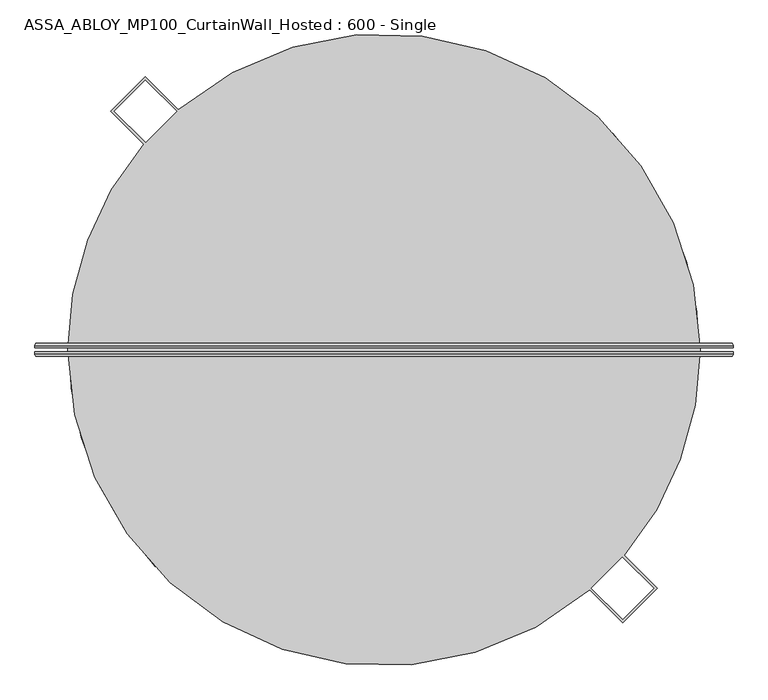
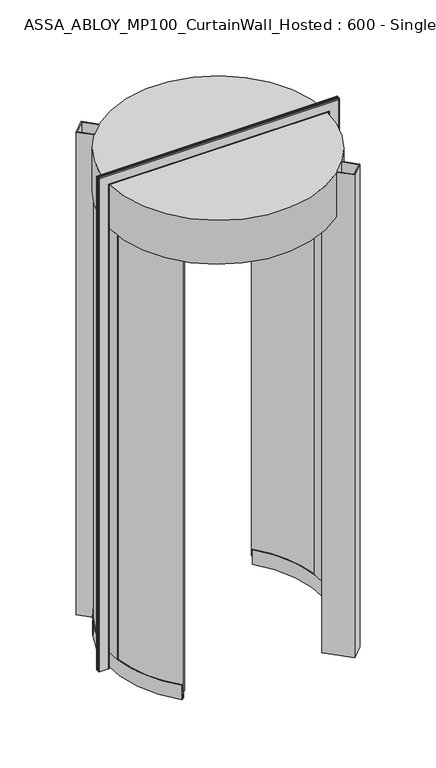
"""IFC4 building model written with IfcOpenShell, lengths in millimetres: plate geometry, ASSA_ABLOY_MP100_CurtainWall_Hosted : 600 - Single."""

from ifc_helpers import new_model, si_unit, point, frame, origin, origin_2d, place, context, project, spatial, polyline, circle_curve, ellipse_curve, trimmed, segment, composite_curve, outline, extrude, source, transform, mapped, element, save
from ifc_brep_helpers import plane_surface, cylinder_surface, revolved_surface, advanced_brep


def assa_abloy_mp100_curtainwall_hosted_600_single_9e742da6(model_context):
    return source(origin(), model_context, "Body", "SolidModel", [
        advanced_brep(
        [(567.5980762, 11.0, 0.0), (571.5980762, 7.0, 0.0), (571.5980762, 3.0, 0.0), (569.5980762, 3.0, 0.0), (569.5980762, 7.0, 0.0), (567.5980762, 9.0, 0.0), (525.5980762, 9.0, 0.0), (523.5980762, 7.0, 0.0), (523.5980762, 3.0, 0.0), (521.5980762, 3.0, 0.0), (521.5980762, 7.0, 0.0), (525.5980762, 11.0, 0.0), (567.5980762, 11.0, 2470.9980762), (571.5980762, 7.0, 2474.9980762), (571.5980762, 3.0, 2474.9980762), (521.5980762, 7.0, 2424.9980762), (525.5980762, 11.0, 2428.9980762), (-525.5980762, 11.0, 2428.9980762), (-525.5980762, 11.0, 0.0), (-567.5980762, 11.0, 0.0), (-567.5980762, 11.0, 2470.9980762), (-571.5980762, 7.0, 2474.9980762), (-571.5980762, 3.0, 2474.9980762), (-521.5980762, 7.0, 2424.9980762), (-521.5980762, 7.0, 0.0), (-521.5980762, 3.0, 0.0), (-523.5980762, 3.0, 0.0), (-523.5980762, 7.0, 0.0), (-525.5980762, 9.0, 0.0), (-567.5980762, 9.0, 0.0), (-569.5980762, 7.0, 0.0), (-569.5980762, 3.0, 0.0), (-571.5980762, 3.0, 0.0), (-571.5980762, 7.0, 0.0), (-569.5980762, 3.0, 2472.9980762), (569.5980762, 3.0, 2472.9980762), (569.5980762, 7.0, 2472.9980762), (567.5980762, 9.0, 2470.9980762), (-567.5980762, 9.0, 2470.9980762), (-525.5980762, 9.0, 2428.9980762), (525.5980762, 9.0, 2428.9980762), (523.5980762, 7.0, 2426.9980762), (523.5980762, 3.0, 2426.9980762), (-523.5980762, 3.0, 2426.9980762), (-521.5980762, 3.0, 2424.9980762), (521.5980762, 3.0, 2424.9980762), (-569.5980762, 7.0, 2472.9980762), (-523.5980762, 7.0, 2426.9980762)],
        [
            (0, 1, circle_curve(frame((567.5980762, 7.0, 0.0), z_axis=(0.0, 0.0, -1.0), x_axis=(-1.0, 0.0, 0.0)), 4.0)),
            (1, 2),
            (2, 3),
            (3, 4),
            (4, 5, circle_curve(frame((567.5980762, 7.0, 0.0), z_axis=(0.0, 0.0, 1.0), x_axis=(-1.0, 0.0, 0.0)), 2.0)),
            (5, 6),
            (6, 7, circle_curve(frame((525.5980762, 7.0, 0.0), z_axis=(0.0, 0.0, 1.0), x_axis=(-1.0, 0.0, 0.0)), 2.0)),
            (7, 8),
            (8, 9),
            (9, 10),
            (10, 11, circle_curve(frame((525.5980762, 7.0, 0.0), z_axis=(0.0, 0.0, -1.0), x_axis=(-1.0, 0.0, 0.0)), 4.0)),
            (11, 0),
            (0, 12),
            (12, 13, ellipse_curve(frame((567.5980762, 7.0, 2470.9980762), z_axis=(0.7071067811865475, 0.0, -0.7071067811865475), x_axis=(-0.7071067811865474, 0.0, -0.7071067811865476)), 5.6568542, 4.0)),
            (13, 1),
            (13, 14),
            (14, 2),
            (10, 15),
            (15, 16, ellipse_curve(frame((525.5980762, 7.0, 2428.9980762), z_axis=(0.7071067811865475, 0.0, -0.7071067811865475), x_axis=(-0.7071067811865474, 0.0, -0.7071067811865476)), 5.6568542, 4.0)),
            (16, 11),
            (16, 17),
            (17, 18),
            (18, 19),
            (19, 20),
            (20, 12),
            (20, 21, ellipse_curve(frame((-567.5980762, 7.0, 2470.9980762), z_axis=(0.7071067811865475, 0.0, 0.7071067811865475), x_axis=(0.7071067811865476, 0.0, -0.7071067811865474)), 5.6568542, 4.0)),
            (21, 13),
            (21, 22),
            (22, 14),
            (15, 23),
            (23, 17, ellipse_curve(frame((-525.5980762, 7.0, 2428.9980762), z_axis=(0.7071067811865475, 0.0, 0.7071067811865475), x_axis=(0.7071067811865476, 0.0, -0.7071067811865474)), 5.6568542, 4.0)),
            (18, 24, circle_curve(frame((-525.5980762, 7.0, 0.0), z_axis=(0.0, 0.0, -1.0), x_axis=(1.0, 0.0, 0.0)), 4.0)),
            (24, 25),
            (25, 26),
            (26, 27),
            (27, 28, circle_curve(frame((-525.5980762, 7.0, 0.0), z_axis=(0.0, 0.0, 1.0), x_axis=(1.0, 0.0, 0.0)), 2.0)),
            (28, 29),
            (29, 30, circle_curve(frame((-567.5980762, 7.0, 0.0), z_axis=(0.0, 0.0, 1.0), x_axis=(1.0, 0.0, 0.0)), 2.0)),
            (30, 31),
            (31, 32),
            (32, 33),
            (33, 19, circle_curve(frame((-567.5980762, 7.0, 0.0), z_axis=(0.0, 0.0, -1.0), x_axis=(1.0, 0.0, 0.0)), 4.0)),
            (33, 21),
            (32, 22),
            (23, 24),
            (31, 34),
            (34, 35),
            (35, 3),
            (35, 36),
            (36, 4),
            (36, 37, ellipse_curve(frame((567.5980762, 7.0, 2470.9980762), z_axis=(-0.7071067811865475, 0.0, 0.7071067811865475), x_axis=(0.7071067811865474, 0.0, 0.7071067811865476)), 2.8284271, 2.0)),
            (37, 5),
            (37, 38),
            (38, 29),
            (28, 39),
            (39, 40),
            (40, 6),
            (40, 41, ellipse_curve(frame((525.5980762, 7.0, 2428.9980762), z_axis=(-0.7071067811865475, 0.0, 0.7071067811865475), x_axis=(0.7071067811865474, 0.0, 0.7071067811865476)), 2.8284271, 2.0)),
            (41, 7),
            (41, 42),
            (42, 8),
            (42, 43),
            (43, 26),
            (25, 44),
            (44, 45),
            (45, 9),
            (45, 15),
            (34, 46),
            (46, 36),
            (46, 38, ellipse_curve(frame((-567.5980762, 7.0, 2470.9980762), z_axis=(-0.7071067811865475, 0.0, -0.7071067811865475), x_axis=(-0.7071067811865476, 0.0, 0.7071067811865474)), 2.8284271, 2.0)),
            (39, 47, ellipse_curve(frame((-525.5980762, 7.0, 2428.9980762), z_axis=(-0.7071067811865475, 0.0, -0.7071067811865475), x_axis=(-0.7071067811865476, 0.0, 0.7071067811865474)), 2.8284271, 2.0)),
            (47, 41),
            (47, 43),
            (44, 23),
            (30, 46),
            (27, 47),
        ],
        [
            plane_surface(frame((521.6, 0.0, 0.0), z_axis=(0.0, 0.0, -1.0), x_axis=(0.0, -1.0, 0.0))),
            cylinder_surface(frame((567.5980762, 7.0, 0.0), z_axis=(0.0, 0.0, -1.0), x_axis=(-1.0, 0.0, 0.0)), 4.0),
            plane_surface(frame((571.5980762, 7.0, 0.0), z_axis=(1.0, 0.0, 0.0), x_axis=(0.0, 0.0, 1.0))),
            cylinder_surface(frame((525.5980762, 7.0, 0.0), z_axis=(0.0, 0.0, -1.0), x_axis=(-1.0, 0.0, 0.0)), 4.0),
            plane_surface(frame((525.5980762, 11.0, 0.0), z_axis=(0.0, 1.0, 0.0), x_axis=(0.0, 0.0, 1.0))),
            cylinder_surface(frame((521.6, 7.0, 2470.9980762), z_axis=(1.0, 0.0, 0.0), x_axis=(0.0, 0.0, -1.0)), 4.0),
            plane_surface(frame((571.5980762, 7.0, 2474.9980762), z_axis=(0.0, 0.0, 1.0), x_axis=(-1.0, 0.0, 0.0))),
            cylinder_surface(frame((521.6, 7.0, 2428.9980762), z_axis=(1.0, 0.0, 0.0), x_axis=(0.0, 0.0, -1.0)), 4.0),
            plane_surface(frame((-521.6, 0.0, 0.0), z_axis=(0.0, 0.0, -1.0), x_axis=(0.0, -1.0, 0.0))),
            cylinder_surface(frame((-567.5980762, 7.0, 2425.0), z_axis=(0.0, 0.0, 1.0), x_axis=(1.0, 0.0, 0.0)), 4.0),
            plane_surface(frame((-571.5980762, 7.0, 2474.9980762), z_axis=(-1.0, 0.0, 0.0), x_axis=(0.0, 0.0, -1.0))),
            cylinder_surface(frame((-525.5980762, 7.0, 2425.0), z_axis=(0.0, 0.0, 1.0), x_axis=(1.0, 0.0, 0.0)), 4.0),
            plane_surface(frame((571.5980762, 3.0, 0.0), z_axis=(0.0, -1.0, 0.0), x_axis=(0.0, 0.0, 1.0))),
            plane_surface(frame((569.5980762, 3.0, 0.0), z_axis=(-1.0, 0.0, 0.0), x_axis=(0.0, 0.0, 1.0))),
            revolved_surface(polyline([(565.5980762, 7.0, 2472.9980762), (565.5980762, 7.0, 0.0)]), (567.5980762, 7.0, 0.0), (0.0, 0.0, 1.0)),
            plane_surface(frame((567.5980762, 9.0, 0.0), z_axis=(0.0, -1.0, 0.0), x_axis=(0.0, 0.0, 1.0))),
            revolved_surface(polyline([(523.5980762, 7.0, 2430.998076182502), (523.5980762, 7.0, 0.0)]), (525.5980762, 7.0, 0.0), (0.0, 0.0, 1.0)),
            plane_surface(frame((523.5980762, 7.0, 0.0), z_axis=(1.0, 0.0, 0.0), x_axis=(0.0, 0.0, 1.0))),
            plane_surface(frame((523.5980762, 3.0, 0.0), z_axis=(0.0, -1.0, 0.0), x_axis=(0.0, 0.0, 1.0))),
            plane_surface(frame((521.5980762, 3.0, 0.0), z_axis=(-1.0, 0.0, 0.0), x_axis=(0.0, 0.0, 1.0))),
            plane_surface(frame((569.5980762, 3.0, 2472.9980762), z_axis=(0.0, 0.0, -1.0), x_axis=(-1.0, 0.0, 0.0))),
            revolved_surface(polyline([(-569.5980762, 7.0, 2468.9980762), (569.5980762, 7.0, 2468.9980762)]), (521.6, 7.0, 2470.9980762), (-1.0, 0.0, 0.0)),
            revolved_surface(polyline([(-527.5980761825018, 7.0, 2426.9980762), (527.5980761825018, 7.0, 2426.9980762)]), (521.6, 7.0, 2428.9980762), (-1.0, 0.0, 0.0)),
            plane_surface(frame((523.5980762, 7.0, 2426.9980762), z_axis=(0.0, 0.0, 1.0), x_axis=(-1.0, 0.0, 0.0))),
            plane_surface(frame((521.5980762, 3.0, 2424.9980762), z_axis=(0.0, 0.0, -1.0), x_axis=(-1.0, 0.0, 0.0))),
            plane_surface(frame((-569.5980762, 3.0, 2472.9980762), z_axis=(1.0, 0.0, 0.0), x_axis=(0.0, 0.0, -1.0))),
            revolved_surface(polyline([(-565.5980762, 7.0, 0.0), (-565.5980762, 7.0, 2472.9980762)]), (-567.5980762, 7.0, 2425.0), (0.0, 0.0, -1.0)),
            revolved_surface(polyline([(-523.5980762, 7.0, 0.0), (-523.5980762, 7.0, 2430.998076182502)]), (-525.5980762, 7.0, 2425.0), (0.0, 0.0, -1.0)),
            plane_surface(frame((-523.5980762, 7.0, 2426.9980762), z_axis=(-1.0, 0.0, 0.0), x_axis=(0.0, 0.0, -1.0))),
            plane_surface(frame((-521.5980762, 3.0, 2424.9980762), z_axis=(1.0, 0.0, 0.0), x_axis=(0.0, 0.0, -1.0))),
        ],
        [
            (0, [[1, 2, 3, 4, 5, 6, 7, 8, 9, 10, 11, 12]]),
            (1, [[-1, 13, 14, 15]]),
            (2, [[-2, -15, 16, 17]]),
            (3, [[-11, 18, 19, 20]]),
            (4, [[-12, -20, 21, 22, 23, 24, 25, -13]]),
            (5, [[-14, -25, 26, 27]]),
            (6, [[-16, -27, 28, 29]]),
            (7, [[-19, 30, 31, -21]]),
            (8, [[-23, 32, 33, 34, 35, 36, 37, 38, 39, 40, 41, 42]]),
            (9, [[-26, -24, -42, 43]]),
            (10, [[-28, -43, -41, 44]]),
            (11, [[-31, 45, -32, -22]]),
            (12, [[-3, -17, -29, -44, -40, 46, 47, 48]]),
            (13, [[-4, -48, 49, 50]]),
            (14, [[-5, -50, 51, 52]]),
            (15, [[-6, -52, 53, 54, -37, 55, 56, 57]]),
            (16, [[-7, -57, 58, 59]]),
            (17, [[-8, -59, 60, 61]]),
            (18, [[-9, -61, 62, 63, -34, 64, 65, 66]]),
            (19, [[-10, -66, 67, -18]]),
            (20, [[-49, -47, 68, 69]]),
            (21, [[-51, -69, 70, -53]]),
            (22, [[-58, -56, 71, 72]]),
            (23, [[-60, -72, 73, -62]]),
            (24, [[-67, -65, 74, -30]]),
            (25, [[-68, -46, -39, 75]]),
            (26, [[-70, -75, -38, -54]]),
            (27, [[-71, -55, -36, 76]]),
            (28, [[-73, -76, -35, -63]]),
            (29, [[-74, -64, -33, -45]]),
        ],
    ),
        advanced_brep(
        [(521.5980762, -3.0, 0.0), (523.5980762, -3.0, 0.0), (523.5980762, -7.0, 0.0), (525.5980762, -9.0, 0.0), (567.5980762, -9.0, 0.0), (569.5980762, -7.0, 0.0), (569.5980762, -3.0, 0.0), (571.5980762, -3.0, 0.0), (571.5980762, -7.0, 0.0), (567.5980762, -11.0, 0.0), (525.5980762, -11.0, 0.0), (521.5980762, -7.0, 0.0), (571.5980762, -7.0, 2474.9980762), (567.5980762, -11.0, 2470.9980762), (-567.5980762, -11.0, 2470.9980762), (-567.5980762, -11.0, 0.0), (-525.5980762, -11.0, 0.0), (-525.5980762, -11.0, 2428.9980762), (525.5980762, -11.0, 2428.9980762), (521.5980762, -7.0, 2424.9980762), (521.5980762, -3.0, 2424.9980762), (-571.5980762, -7.0, 2474.9980762), (-521.5980762, -7.0, 2424.9980762), (-521.5980762, -3.0, 2424.9980762), (-521.5980762, -3.0, 0.0), (-521.5980762, -7.0, 0.0), (-571.5980762, -7.0, 0.0), (-571.5980762, -3.0, 0.0), (-569.5980762, -3.0, 0.0), (-569.5980762, -7.0, 0.0), (-567.5980762, -9.0, 0.0), (-525.5980762, -9.0, 0.0), (-523.5980762, -7.0, 0.0), (-523.5980762, -3.0, 0.0), (-523.5980762, -3.0, 2426.9980762), (523.5980762, -3.0, 2426.9980762), (523.5980762, -7.0, 2426.9980762), (525.5980762, -9.0, 2428.9980762), (-525.5980762, -9.0, 2428.9980762), (-567.5980762, -9.0, 2470.9980762), (567.5980762, -9.0, 2470.9980762), (569.5980762, -7.0, 2472.9980762), (569.5980762, -3.0, 2472.9980762), (-569.5980762, -3.0, 2472.9980762), (-571.5980762, -3.0, 2474.9980762), (571.5980762, -3.0, 2474.9980762), (-523.5980762, -7.0, 2426.9980762), (-569.5980762, -7.0, 2472.9980762)],
        [
            (0, 1),
            (1, 2),
            (2, 3, circle_curve(frame((525.5980762, -7.0, 0.0), z_axis=(0.0, 0.0, 1.0), x_axis=(-1.0, 0.0, 0.0)), 2.0)),
            (3, 4),
            (4, 5, circle_curve(frame((567.5980762, -7.0, 0.0), z_axis=(0.0, 0.0, 1.0), x_axis=(-1.0, 0.0, 0.0)), 2.0)),
            (5, 6),
            (6, 7),
            (7, 8),
            (8, 9, circle_curve(frame((567.5980762, -7.0, 0.0), z_axis=(0.0, 0.0, -1.0), x_axis=(-1.0, 0.0, 0.0)), 4.0)),
            (9, 10),
            (10, 11, circle_curve(frame((525.5980762, -7.0, 0.0), z_axis=(0.0, 0.0, -1.0), x_axis=(-1.0, 0.0, 0.0)), 4.0)),
            (11, 0),
            (8, 12),
            (12, 13, ellipse_curve(frame((567.5980762, -7.0, 2470.9980762), z_axis=(0.7071067811865475, 0.0, -0.7071067811865475), x_axis=(-0.7071067811865474, 0.0, -0.7071067811865476)), 5.6568542, 4.0)),
            (13, 9),
            (13, 14),
            (14, 15),
            (15, 16),
            (16, 17),
            (17, 18),
            (18, 10),
            (18, 19, ellipse_curve(frame((525.5980762, -7.0, 2428.9980762), z_axis=(0.7071067811865475, 0.0, -0.7071067811865475), x_axis=(-0.7071067811865474, 0.0, -0.7071067811865476)), 5.6568542, 4.0)),
            (19, 11),
            (19, 20),
            (20, 0),
            (12, 21),
            (21, 14, ellipse_curve(frame((-567.5980762, -7.0, 2470.9980762), z_axis=(0.7071067811865475, 0.0, 0.7071067811865475), x_axis=(0.7071067811865476, 0.0, -0.7071067811865474)), 5.6568542, 4.0)),
            (17, 22, ellipse_curve(frame((-525.5980762, -7.0, 2428.9980762), z_axis=(0.7071067811865475, 0.0, 0.7071067811865475), x_axis=(0.7071067811865476, 0.0, -0.7071067811865474)), 5.6568542, 4.0)),
            (22, 19),
            (22, 23),
            (23, 20),
            (24, 25),
            (25, 16, circle_curve(frame((-525.5980762, -7.0, 0.0), z_axis=(0.0, 0.0, -1.0), x_axis=(1.0, 0.0, 0.0)), 4.0)),
            (15, 26, circle_curve(frame((-567.5980762, -7.0, 0.0), z_axis=(0.0, 0.0, -1.0), x_axis=(1.0, 0.0, 0.0)), 4.0)),
            (26, 27),
            (27, 28),
            (28, 29),
            (29, 30, circle_curve(frame((-567.5980762, -7.0, 0.0), z_axis=(0.0, 0.0, 1.0), x_axis=(1.0, 0.0, 0.0)), 2.0)),
            (30, 31),
            (31, 32, circle_curve(frame((-525.5980762, -7.0, 0.0), z_axis=(0.0, 0.0, 1.0), x_axis=(1.0, 0.0, 0.0)), 2.0)),
            (32, 33),
            (33, 24),
            (21, 26),
            (25, 22),
            (24, 23),
            (33, 34),
            (34, 35),
            (35, 1),
            (35, 36),
            (36, 2),
            (36, 37, ellipse_curve(frame((525.5980762, -7.0, 2428.9980762), z_axis=(-0.7071067811865475, 0.0, 0.7071067811865475), x_axis=(0.7071067811865474, 0.0, 0.7071067811865476)), 2.8284271, 2.0)),
            (37, 3),
            (37, 38),
            (38, 31),
            (30, 39),
            (39, 40),
            (40, 4),
            (40, 41, ellipse_curve(frame((567.5980762, -7.0, 2470.9980762), z_axis=(-0.7071067811865475, 0.0, 0.7071067811865475), x_axis=(0.7071067811865474, 0.0, 0.7071067811865476)), 2.8284271, 2.0)),
            (41, 5),
            (41, 42),
            (42, 6),
            (42, 43),
            (43, 28),
            (27, 44),
            (44, 45),
            (45, 7),
            (45, 12),
            (34, 46),
            (46, 36),
            (46, 38, ellipse_curve(frame((-525.5980762, -7.0, 2428.9980762), z_axis=(-0.7071067811865475, 0.0, -0.7071067811865475), x_axis=(-0.7071067811865476, 0.0, 0.7071067811865474)), 2.8284271, 2.0)),
            (39, 47, ellipse_curve(frame((-567.5980762, -7.0, 2470.9980762), z_axis=(-0.7071067811865475, 0.0, -0.7071067811865475), x_axis=(-0.7071067811865476, 0.0, 0.7071067811865474)), 2.8284271, 2.0)),
            (47, 41),
            (47, 43),
            (44, 21),
            (32, 46),
            (29, 47),
        ],
        [
            plane_surface(frame((521.6, 0.0, 0.0), z_axis=(0.0, 0.0, -1.0), x_axis=(0.0, -1.0, 0.0))),
            cylinder_surface(frame((567.5980762, -7.0, 0.0), z_axis=(0.0, 0.0, -1.0), x_axis=(-1.0, 0.0, 0.0)), 4.0),
            plane_surface(frame((567.5980762, -11.0, 0.0), z_axis=(0.0, -1.0, 0.0), x_axis=(0.0, 0.0, 1.0))),
            cylinder_surface(frame((525.5980762, -7.0, 0.0), z_axis=(0.0, 0.0, -1.0), x_axis=(-1.0, 0.0, 0.0)), 4.0),
            plane_surface(frame((521.5980762, -7.0, 0.0), z_axis=(-1.0, 0.0, 0.0), x_axis=(0.0, 0.0, 1.0))),
            cylinder_surface(frame((521.6, -7.0, 2470.9980762), z_axis=(1.0, 0.0, 0.0), x_axis=(0.0, 0.0, -1.0)), 4.0),
            cylinder_surface(frame((521.6, -7.0, 2428.9980762), z_axis=(1.0, 0.0, 0.0), x_axis=(0.0, 0.0, -1.0)), 4.0),
            plane_surface(frame((521.5980762, -7.0, 2424.9980762), z_axis=(0.0, 0.0, -1.0), x_axis=(-1.0, 0.0, 0.0))),
            plane_surface(frame((-521.6, 0.0, 0.0), z_axis=(0.0, 0.0, -1.0), x_axis=(0.0, -1.0, 0.0))),
            cylinder_surface(frame((-567.5980762, -7.0, 2425.0), z_axis=(0.0, 0.0, 1.0), x_axis=(1.0, 0.0, 0.0)), 4.0),
            cylinder_surface(frame((-525.5980762, -7.0, 2425.0), z_axis=(0.0, 0.0, 1.0), x_axis=(1.0, 0.0, 0.0)), 4.0),
            plane_surface(frame((-521.5980762, -7.0, 2424.9980762), z_axis=(1.0, 0.0, 0.0), x_axis=(0.0, 0.0, -1.0))),
            plane_surface(frame((521.5980762, -3.0, 0.0), z_axis=(0.0, 1.0, 0.0), x_axis=(0.0, 0.0, 1.0))),
            plane_surface(frame((523.5980762, -3.0, 0.0), z_axis=(1.0, 0.0, 0.0), x_axis=(0.0, 0.0, 1.0))),
            revolved_surface(polyline([(523.5980762, -7.0, 2430.998076182502), (523.5980762, -7.0, 0.0)]), (525.5980762, -7.0, 0.0), (0.0, 0.0, 1.0)),
            plane_surface(frame((525.5980762, -9.0, 0.0), z_axis=(0.0, 1.0, 0.0), x_axis=(0.0, 0.0, 1.0))),
            revolved_surface(polyline([(565.5980762, -7.0, 2472.9980762), (565.5980762, -7.0, 0.0)]), (567.5980762, -7.0, 0.0), (0.0, 0.0, 1.0)),
            plane_surface(frame((569.5980762, -7.0, 0.0), z_axis=(-1.0, 0.0, 0.0), x_axis=(0.0, 0.0, 1.0))),
            plane_surface(frame((569.5980762, -3.0, 0.0), z_axis=(0.0, 1.0, 0.0), x_axis=(0.0, 0.0, 1.0))),
            plane_surface(frame((571.5980762, -3.0, 0.0), z_axis=(1.0, 0.0, 0.0), x_axis=(0.0, 0.0, 1.0))),
            plane_surface(frame((523.5980762, -3.0, 2426.9980762), z_axis=(0.0, 0.0, 1.0), x_axis=(-1.0, 0.0, 0.0))),
            revolved_surface(polyline([(-527.5980761825018, -7.0, 2426.9980762), (527.5980761825018, -7.0, 2426.9980762)]), (521.6, -7.0, 2428.9980762), (-1.0, 0.0, 0.0)),
            revolved_surface(polyline([(-569.5980762, -7.0, 2468.9980762), (569.5980762, -7.0, 2468.9980762)]), (521.6, -7.0, 2470.9980762), (-1.0, 0.0, 0.0)),
            plane_surface(frame((569.5980762, -7.0, 2472.9980762), z_axis=(0.0, 0.0, -1.0), x_axis=(-1.0, 0.0, 0.0))),
            plane_surface(frame((571.5980762, -3.0, 2474.9980762), z_axis=(0.0, 0.0, 1.0), x_axis=(-1.0, 0.0, 0.0))),
            plane_surface(frame((-523.5980762, -3.0, 2426.9980762), z_axis=(-1.0, 0.0, 0.0), x_axis=(0.0, 0.0, -1.0))),
            revolved_surface(polyline([(-523.5980762, -7.0, 0.0), (-523.5980762, -7.0, 2430.998076182502)]), (-525.5980762, -7.0, 2425.0), (0.0, 0.0, -1.0)),
            revolved_surface(polyline([(-565.5980762, -7.0, 0.0), (-565.5980762, -7.0, 2472.9980762)]), (-567.5980762, -7.0, 2425.0), (0.0, 0.0, -1.0)),
            plane_surface(frame((-569.5980762, -7.0, 2472.9980762), z_axis=(1.0, 0.0, 0.0), x_axis=(0.0, 0.0, -1.0))),
            plane_surface(frame((-571.5980762, -3.0, 2474.9980762), z_axis=(-1.0, 0.0, 0.0), x_axis=(0.0, 0.0, -1.0))),
        ],
        [
            (0, [[1, 2, 3, 4, 5, 6, 7, 8, 9, 10, 11, 12]]),
            (1, [[-9, 13, 14, 15]]),
            (2, [[-10, -15, 16, 17, 18, 19, 20, 21]]),
            (3, [[-11, -21, 22, 23]]),
            (4, [[-12, -23, 24, 25]]),
            (5, [[-14, 26, 27, -16]]),
            (6, [[-22, -20, 28, 29]]),
            (7, [[-24, -29, 30, 31]]),
            (8, [[32, 33, -18, 34, 35, 36, 37, 38, 39, 40, 41, 42]]),
            (9, [[-27, 43, -34, -17]]),
            (10, [[-28, -19, -33, 44]]),
            (11, [[-30, -44, -32, 45]]),
            (12, [[-1, -25, -31, -45, -42, 46, 47, 48]]),
            (13, [[-2, -48, 49, 50]]),
            (14, [[-3, -50, 51, 52]]),
            (15, [[-4, -52, 53, 54, -39, 55, 56, 57]]),
            (16, [[-5, -57, 58, 59]]),
            (17, [[-6, -59, 60, 61]]),
            (18, [[-7, -61, 62, 63, -36, 64, 65, 66]]),
            (19, [[-8, -66, 67, -13]]),
            (20, [[-49, -47, 68, 69]]),
            (21, [[-51, -69, 70, -53]]),
            (22, [[-58, -56, 71, 72]]),
            (23, [[-60, -72, 73, -62]]),
            (24, [[-67, -65, 74, -26]]),
            (25, [[-68, -46, -41, 75]]),
            (26, [[-70, -75, -40, -54]]),
            (27, [[-71, -55, -38, 76]]),
            (28, [[-73, -76, -37, -63]]),
            (29, [[-74, -64, -35, -43]]),
        ],
    ),
        advanced_brep(
        [(-360.2894957, -340.9649276, 73.0), (-362.4684463, -343.0270075, 73.0), (-362.4684463, -343.0270075, 39.0), (-372.6368829, -352.6500475, 39.0), (-372.6368829, -352.6500475, 73.0), (-374.8158336, -354.7121275, 73.0), (-374.8158336, -354.7121275, 0.0), (-372.6368829, -352.6500475, 0.0), (-372.6368829, -352.6500475, 24.0), (-362.4684463, -343.0270075, 24.0), (-362.4684463, -343.0270075, 0.0), (-360.2894957, -340.9649276, 0.0), (-388.6935511, 308.1930009, 73.0), (-388.6935511, 308.1930009, 0.0), (-391.0442832, 310.0568836, 0.0), (-391.0442832, 310.0568836, 24.0), (-402.0143663, 318.7550028, 24.0), (-402.0143663, 318.7550028, 0.0), (-404.3650984, 320.6188854, 0.0), (-404.3650984, 320.6188854, 73.0), (-402.0143663, 318.7550028, 73.0), (-402.0143663, 318.7550028, 39.0), (-391.0442832, 310.0568836, 39.0), (-391.0442832, 310.0568836, 73.0), (-492.3576943, -60.4111192, 73.0), (-495.3353641, -60.7764721, 73.0), (-498.7689834, 16.7452596, 73.0), (-495.7706727, 16.6445969, 73.0), (-512.7611, 17.2150179, 73.0), (-509.2311565, -62.4814513, 73.0), (-512.2088263, -62.8468042, 73.0), (-515.7594107, 17.3156806, 73.0), (-515.7594107, 17.3156806, 2200.0), (-512.2088263, -62.8468042, 2200.0), (-509.2311565, -62.4814513, 2200.0), (-512.7611, 17.2150179, 2200.0), (-495.7706727, 16.6445969, 2200.0), (-498.7689834, 16.7452596, 2200.0), (-495.3353641, -60.7764721, 2200.0), (-492.3576943, -60.4111192, 2200.0)],
        [
            (0, 1),
            (1, 2),
            (2, 3),
            (3, 4),
            (4, 5),
            (5, 6),
            (6, 7),
            (7, 8),
            (8, 9),
            (9, 10),
            (10, 11),
            (11, 0),
            (12, 13),
            (13, 14),
            (14, 15),
            (15, 16),
            (16, 17),
            (17, 18),
            (18, 19),
            (19, 20),
            (20, 21),
            (21, 22),
            (22, 23),
            (23, 12),
            (0, 24, circle_curve(frame((0.0, 0.0, 73.0), z_axis=(0.0, 0.0, -1.0), x_axis=(-0.7263168947785216, -0.6873599990974787, 0.0)), 496.05)),
            (24, 25),
            (25, 1, circle_curve(frame((0.0, 0.0, 73.0), z_axis=(0.0, 0.0, 1.0), x_axis=(-0.7263168947785216, -0.6873599990974787, 0.0)), 499.05)),
            (23, 26, circle_curve(frame((0.0, 0.0, 73.0), z_axis=(0.0, 0.0, 1.0), x_axis=(-0.7263168947785216, -0.6873599990974787, 0.0)), 499.05)),
            (26, 27),
            (27, 12, circle_curve(frame((0.0, 0.0, 73.0), z_axis=(0.0, 0.0, -1.0), x_axis=(-0.7263168947785216, -0.6873599990974787, 0.0)), 496.05)),
            (25, 26, circle_curve(frame((0.0, 0.0, 73.0), z_axis=(0.0, 0.0, -1.0), x_axis=(-0.7263168947785216, -0.6873599990974787, 0.0)), 499.05)),
            (22, 2, circle_curve(frame((0.0, 0.0, 39.0), z_axis=(0.0, 0.0, 1.0), x_axis=(-0.7263168947785216, -0.6873599990974787, 0.0)), 499.05)),
            (21, 3, circle_curve(frame((0.0, 0.0, 39.0), z_axis=(0.0, 0.0, 1.0), x_axis=(-0.7263168947785216, -0.6873599990974787, 0.0)), 513.05)),
            (20, 28, circle_curve(frame((0.0, 0.0, 73.0), z_axis=(0.0, 0.0, 1.0), x_axis=(-0.7263168947785216, -0.6873599990974787, 0.0)), 513.05)),
            (28, 29, circle_curve(frame((0.0, 0.0, 73.0), z_axis=(0.0, 0.0, 1.0), x_axis=(-0.7263168947785216, -0.6873599990974787, 0.0)), 513.05)),
            (29, 4, circle_curve(frame((0.0, 0.0, 73.0), z_axis=(0.0, 0.0, 1.0), x_axis=(-0.7263168947785216, -0.6873599990974787, 0.0)), 513.05)),
            (29, 30),
            (30, 5, circle_curve(frame((0.0, 0.0, 73.0), z_axis=(0.0, 0.0, 1.0), x_axis=(-0.7263168947785216, -0.6873599990974787, 0.0)), 516.05)),
            (19, 31, circle_curve(frame((0.0, 0.0, 73.0), z_axis=(0.0, 0.0, 1.0), x_axis=(-0.7263168947785216, -0.6873599990974787, 0.0)), 516.05)),
            (31, 28),
            (30, 31, circle_curve(frame((0.0, 0.0, 73.0), z_axis=(0.0, 0.0, -1.0), x_axis=(-0.7263168947785216, -0.6873599990974787, 0.0)), 516.05)),
            (18, 6, circle_curve(frame((0.0, 0.0, 0.0), z_axis=(0.0, 0.0, 1.0), x_axis=(-0.7263168947785216, -0.6873599990974787, 0.0)), 516.05)),
            (17, 7, circle_curve(frame((0.0, 0.0, 0.0), z_axis=(0.0, 0.0, 1.0), x_axis=(-0.7263168947785216, -0.6873599990974787, 0.0)), 513.05)),
            (16, 8, circle_curve(frame((0.0, 0.0, 24.0), z_axis=(0.0, 0.0, 1.0), x_axis=(-0.7263168947785216, -0.6873599990974787, 0.0)), 513.05)),
            (15, 9, circle_curve(frame((0.0, 0.0, 24.0), z_axis=(0.0, 0.0, 1.0), x_axis=(-0.7263168947785216, -0.6873599990974787, 0.0)), 499.05)),
            (14, 10, circle_curve(frame((0.0, 0.0, 0.0), z_axis=(0.0, 0.0, 1.0), x_axis=(-0.7263168947785216, -0.6873599990974787, 0.0)), 499.05)),
            (13, 11, circle_curve(frame((0.0, 0.0, 0.0), z_axis=(0.0, 0.0, 1.0), x_axis=(-0.7263168947785216, -0.6873599990974787, 0.0)), 496.05)),
            (27, 24, circle_curve(frame((0.0, 0.0, 73.0), z_axis=(0.0, 0.0, 1.0), x_axis=(-0.7263168947785216, -0.6873599990974787, 0.0)), 496.05)),
            (32, 33, circle_curve(frame((0.0, 0.0, 2200.0), z_axis=(0.0, 0.0, 1.0), x_axis=(0.7071067811865459, -0.7071067811865491, 0.0)), 516.05)),
            (33, 34),
            (34, 35, circle_curve(frame((0.0, 0.0, 2200.0), z_axis=(0.0, 0.0, -1.0), x_axis=(0.7071067811865459, -0.7071067811865491, 0.0)), 513.05)),
            (35, 32),
            (32, 31),
            (30, 33),
            (29, 34),
            (28, 35),
            (36, 37),
            (37, 38, circle_curve(frame((0.0, 0.0, 2200.0), z_axis=(0.0, 0.0, 1.0), x_axis=(0.7071067811865459, -0.7071067811865492, 0.0)), 499.05)),
            (38, 39),
            (39, 36, circle_curve(frame((0.0, 0.0, 2200.0), z_axis=(0.0, 0.0, -1.0), x_axis=(0.7071067811865459, -0.7071067811865492, 0.0)), 496.05)),
            (36, 27),
            (26, 37),
            (25, 38),
            (24, 39),
        ],
        [
            plane_surface(frame((-367.5526646, -347.8385275, 0.0), z_axis=(0.6873599990974788, -0.7263168947785217, 0.0), x_axis=(0.0, 0.0, 1.0))),
            plane_surface(frame((-396.5293248, 314.4059432, 0.0), z_axis=(0.6212942262348817, 0.7835773634091273, 0.0), x_axis=(0.0, 0.0, 1.0))),
            plane_surface(frame((0.0, 0.0, 73.0), z_axis=(0.0, 0.0, 1.0000000000000002), x_axis=(-0.7263168947785217, -0.6873599990974788, 0.0))),
            cylinder_surface(frame((0.0, 0.0, 0.0), z_axis=(0.0, 0.0, -1.0), x_axis=(-0.7263168947785216, -0.6873599990974787, 0.0)), 499.05),
            plane_surface(frame((0.0, 0.0, 39.0), z_axis=(0.0, 0.0, 1.0000000000000002), x_axis=(-0.7263168947785217, -0.6873599990974788, 0.0))),
            revolved_surface(polyline([(-372.63688286612046, -352.65004753696144, 39.0), (-372.63688286612046, -352.65004753696144, 73.0)]), (0.0, 0.0, 0.0), (0.0, 0.0, -1.0)),
            cylinder_surface(frame((0.0, 0.0, 0.0), z_axis=(0.0, 0.0, -1.0), x_axis=(-0.7263168947785216, -0.6873599990974787, 0.0)), 516.05),
            plane_surface(frame((0.0, 0.0, 0.0), z_axis=(0.0, 0.0, -1.0000000000000002), x_axis=(-0.7263168947785217, -0.6873599990974788, 0.0))),
            revolved_surface(polyline([(-372.63688286612046, -352.65004753696144, 0.0), (-372.63688286612046, -352.65004753696144, 24.0)]), (0.0, 0.0, 0.0), (0.0, 0.0, -1.0)),
            plane_surface(frame((0.0, 0.0, 24.0), z_axis=(0.0, 0.0, -1.0000000000000002), x_axis=(-0.7263168947785217, -0.6873599990974788, 0.0))),
            revolved_surface(polyline([(-360.2894956548856, -340.9649275523043, 0.0), (-360.2894956548856, -340.9649275523043, 73.0)]), (0.0, 0.0, 0.0), (0.0, 0.0, -1.0)),
            plane_surface(frame((364.9024544, -364.9024544, 2200.0), z_axis=(0.0, 0.0, 1.0), x_axis=(0.7071067811865491, 0.7071067811865459, 0.0))),
            cylinder_surface(frame((0.0, 0.0, 73.0), z_axis=(0.0, 0.0, 1.0), x_axis=(0.7071067811865459, -0.7071067811865491, 0.0)), 516.05),
            plane_surface(frame((-512.2088263, -62.8468042, 2200.0), z_axis=(0.12178429884552378, -0.9925565901018965, 0.0), x_axis=(0.0, 0.0, -1.0))),
            revolved_surface(polyline([(362.7811340877573, -362.78113408775897, 73.0), (362.7811340877573, -362.78113408775897, 2200.0)]), (0.0, 0.0, 73.0), (0.0, 0.0, -1.0)),
            plane_surface(frame((-512.7611, 17.2150179, 2200.0), z_axis=(0.03355423653842843, 0.9994368980632661, 0.0), x_axis=(0.0, 0.0, -1.0))),
            plane_surface(frame((-495.7706727, 16.6445969, 2200.0), z_axis=(0.0, 0.0, 1.0000000000000002), x_axis=(-0.9994368980318687, 0.03355423747362182, 0.0))),
            plane_surface(frame((-495.7706727, 16.6445969, 2200.0), z_axis=(0.03355423747362182, 0.9994368980318687, 0.0), x_axis=(0.0, 0.0, -1.0))),
            cylinder_surface(frame((0.0, 0.0, 73.0), z_axis=(0.0, 0.0, 1.0000000000000002), x_axis=(0.7071067811865459, -0.7071067811865492, 0.0)), 499.05),
            plane_surface(frame((-495.3353641, -60.7764721, 2200.0), z_axis=(0.12178429996182864, -0.9925565899649287, 0.0), x_axis=(0.0, 0.0, -1.0))),
            revolved_surface(polyline([(350.7603188075861, -350.76031880758774, 73.0), (350.7603188075861, -350.76031880758774, 2200.000000000001)]), (0.0, 0.0, 73.0), (0.0, 0.0, -1.0000000000000002)),
        ],
        [
            (0, [[1, 2, 3, 4, 5, 6, 7, 8, 9, 10, 11, 12]]),
            (1, [[13, 14, 15, 16, 17, 18, 19, 20, 21, 22, 23, 24]]),
            (2, [[-1, 25, 26, 27]]),
            (2, [[-24, 28, 29, 30]]),
            (3, [[-2, -27, 31, -28, -23, 32]]),
            (4, [[-3, -32, -22, 33]]),
            (5, [[-4, -33, -21, 34, 35, 36]]),
            (2, [[-5, -36, 37, 38]]),
            (2, [[-20, 39, 40, -34]]),
            (6, [[-6, -38, 41, -39, -19, 42]]),
            (7, [[-7, -42, -18, 43]]),
            (8, [[-8, -43, -17, 44]]),
            (9, [[-9, -44, -16, 45]]),
            (3, [[-10, -45, -15, 46]]),
            (7, [[-11, -46, -14, 47]]),
            (10, [[-12, -47, -13, -30, 48, -25]]),
            (11, [[49, 50, 51, 52]]),
            (12, [[-49, 53, -41, 54]]),
            (13, [[-50, -54, -37, 55]]),
            (14, [[-51, -55, -35, 56]]),
            (15, [[-52, -56, -40, -53]]),
            (16, [[57, 58, 59, 60]]),
            (17, [[-57, 61, -29, 62]]),
            (18, [[-58, -62, -31, 63]]),
            (19, [[-59, -63, -26, 64]]),
            (20, [[-60, -64, -48, -61]]),
        ],
    ),
        advanced_brep(
        [(512.2074017, 62.8465953, 2200.0), (509.2297319, 62.4812425, 2200.0), (512.7596625, -17.2149359, 2200.0), (515.7579732, -17.3155985, 2200.0), (512.2074017, 62.8465953, 73.0), (509.2297319, 62.4812425, 73.0), (512.7596625, -17.2149359, 73.0), (515.7579732, -17.3155985, 73.0), (402.0158052, -318.7508713, 24.0), (402.0158052, -318.7508713, 0.0), (404.3665523, -320.614735, 0.0), (404.3665523, -320.614735, 73.0), (402.0158052, -318.7508713, 73.0), (402.0158052, -318.7508713, 39.0), (391.045652, -310.0528404, 39.0), (391.045652, -310.0528404, 73.0), (388.6949049, -308.1889767, 73.0), (388.6949049, -308.1889767, 0.0), (391.045652, -310.0528404, 0.0), (391.045652, -310.0528404, 24.0), (372.6377991, 352.6469853, 24.0), (362.469309, 343.0240019, 24.0), (362.469309, 343.0240019, 0.0), (360.2903468, 340.961934, 0.0), (360.2903468, 340.961934, 73.0), (362.469309, 343.0240019, 73.0), (362.469309, 343.0240019, 39.0), (372.6377991, 352.6469853, 39.0), (372.6377991, 352.6469853, 73.0), (374.8167612, 354.7090532, 73.0), (374.8167612, 354.7090532, 0.0), (372.6377991, 352.6469853, 0.0), (495.3339396, 60.7762628, 73.0), (498.7675459, -16.745177, 73.0), (495.7692352, -16.6445144, 73.0), (492.3562698, 60.41091, 73.0), (492.3562698, 60.41091, 2200.0), (495.7692352, -16.6445144, 2200.0), (498.7675459, -16.745177, 2200.0), (495.3339396, 60.7762628, 2200.0)],
        [
            (0, 1),
            (1, 2, circle_curve(frame((0.0, 0.0, 2200.0), z_axis=(0.0, 0.0, -1.0), x_axis=(-0.7071067811865481, -0.7071067811865469, 0.0)), 513.0485606)),
            (2, 3),
            (3, 0, circle_curve(frame((0.0, 0.0, 2200.0), z_axis=(0.0, 0.0, 1.0), x_axis=(-0.7071067811865481, -0.7071067811865469, 0.0)), 516.0485606)),
            (0, 4),
            (4, 5),
            (5, 1),
            (5, 6, circle_curve(frame((0.0, 0.0, 73.0), z_axis=(0.0, 0.0, -1.0), x_axis=(-0.7071067811865481, -0.7071067811865469, 0.0)), 513.0485606)),
            (6, 2),
            (6, 7),
            (7, 3),
            (7, 4, circle_curve(frame((0.0, 0.0, 73.0), z_axis=(0.0, 0.0, 1.0), x_axis=(-0.7071067811865481, -0.7071067811865469, 0.0)), 516.0485606)),
            (8, 9),
            (9, 10),
            (10, 11),
            (11, 12),
            (12, 13),
            (13, 14),
            (14, 15),
            (15, 16),
            (16, 17),
            (17, 18),
            (18, 19),
            (19, 8),
            (20, 21),
            (21, 22),
            (22, 23),
            (23, 24),
            (24, 25),
            (25, 26),
            (26, 27),
            (27, 28),
            (28, 29),
            (29, 30),
            (30, 31),
            (31, 20),
            (8, 20, circle_curve(frame((0.0, 0.0, 24.0), z_axis=(0.0, 0.0, 1.0), x_axis=(0.7835823663325979, -0.6212879164868783, 0.0)), 513.0485606)),
            (31, 9, circle_curve(frame((0.0, 0.0, 0.0), z_axis=(0.0, 0.0, -1.0), x_axis=(0.7835823663325979, -0.6212879164868783, 0.0)), 513.0485606)),
            (30, 10, circle_curve(frame((0.0, 0.0, 0.0), z_axis=(0.0, 0.0, -1.0), x_axis=(0.7835823663325979, -0.6212879164868783, 0.0)), 516.0485606)),
            (29, 4, circle_curve(frame((0.0, 0.0, 73.0), z_axis=(0.0, 0.0, -1.0), x_axis=(0.7835823663325979, -0.6212879164868783, 0.0)), 516.0485606)),
            (7, 11, circle_curve(frame((0.0, 0.0, 73.0), z_axis=(0.0, 0.0, -1.0), x_axis=(0.7835823663325979, -0.6212879164868783, 0.0)), 516.0485606)),
            (6, 12, circle_curve(frame((0.0, 0.0, 73.0), z_axis=(0.0, 0.0, -1.0), x_axis=(0.7835823663325979, -0.6212879164868783, 0.0)), 513.0485606)),
            (28, 5, circle_curve(frame((0.0, 0.0, 73.0), z_axis=(0.0, 0.0, -1.0), x_axis=(0.7835823663325979, -0.6212879164868783, 0.0)), 513.0485606)),
            (27, 13, circle_curve(frame((0.0, 0.0, 39.0), z_axis=(0.0, 0.0, -1.0), x_axis=(0.7835823663325979, -0.6212879164868783, 0.0)), 513.0485606)),
            (26, 14, circle_curve(frame((0.0, 0.0, 39.0), z_axis=(0.0, 0.0, -1.0), x_axis=(0.7835823663325979, -0.6212879164868783, 0.0)), 499.0485606)),
            (25, 32, circle_curve(frame((0.0, 0.0, 73.0), z_axis=(0.0, 0.0, -1.0), x_axis=(0.7835823663325979, -0.6212879164868783, 0.0)), 499.0485606)),
            (32, 33, circle_curve(frame((0.0, 0.0, 73.0), z_axis=(0.0, 0.0, -1.0), x_axis=(0.7835823663325979, -0.6212879164868783, 0.0)), 499.0485606)),
            (33, 15, circle_curve(frame((0.0, 0.0, 73.0), z_axis=(0.0, 0.0, -1.0), x_axis=(0.7835823663325979, -0.6212879164868783, 0.0)), 499.0485606)),
            (33, 34),
            (34, 16, circle_curve(frame((0.0, 0.0, 73.0), z_axis=(0.0, 0.0, -1.0), x_axis=(0.7835823663325979, -0.6212879164868783, 0.0)), 496.0485606)),
            (24, 35, circle_curve(frame((0.0, 0.0, 73.0), z_axis=(0.0, 0.0, -1.0), x_axis=(0.7835823663325979, -0.6212879164868783, 0.0)), 496.0485606)),
            (35, 32),
            (34, 35, circle_curve(frame((0.0, 0.0, 73.0), z_axis=(0.0, 0.0, 1.0), x_axis=(0.7835823663325979, -0.6212879164868783, 0.0)), 496.0485606)),
            (23, 17, circle_curve(frame((0.0, 0.0, 0.0), z_axis=(0.0, 0.0, -1.0), x_axis=(0.7835823663325979, -0.6212879164868783, 0.0)), 496.0485606)),
            (22, 18, circle_curve(frame((0.0, 0.0, 0.0), z_axis=(0.0, 0.0, -1.0), x_axis=(0.7835823663325979, -0.6212879164868783, 0.0)), 499.0485606)),
            (21, 19, circle_curve(frame((0.0, 0.0, 24.0), z_axis=(0.0, 0.0, -1.0), x_axis=(0.7835823663325979, -0.6212879164868783, 0.0)), 499.0485606)),
            (36, 37, circle_curve(frame((0.0, 0.0, 2200.0), z_axis=(0.0, 0.0, -1.0), x_axis=(-0.707106781186548, -0.707106781186547, 0.0)), 496.0485606)),
            (37, 38),
            (38, 39, circle_curve(frame((0.0, 0.0, 2200.0), z_axis=(0.0, 0.0, 1.0), x_axis=(-0.707106781186548, -0.707106781186547, 0.0)), 499.0485606)),
            (39, 36),
            (36, 35),
            (34, 37),
            (33, 38),
            (32, 39),
        ],
        [
            plane_surface(frame((512.2074017, 62.8465953, 2200.0), z_axis=(0.0, 0.0, 1.0), x_axis=(-0.9925565940956277, -0.12178426629613291, 0.0))),
            plane_surface(frame((512.2074017, 62.8465953, 2200.0), z_axis=(-0.12178426629613291, 0.9925565940956277, 0.0), x_axis=(0.0, 0.0, -1.0))),
            revolved_surface(polyline([(-362.78011627825765, -362.780116278257, 73.0), (-362.78011627825765, -362.780116278257, 2200.0)]), (0.0, 0.0, 73.0), (0.0, 0.0, -1.0)),
            plane_surface(frame((512.7596625, -17.2149359, 2200.0), z_axis=(-0.03355420367290622, -0.9994368991666643, 0.0), x_axis=(0.0, 0.0, -1.0))),
            cylinder_surface(frame((0.0, 0.0, 73.0), z_axis=(0.0, 0.0, 1.0), x_axis=(-0.7071067811865481, -0.7071067811865469, 0.0)), 516.0485606),
            plane_surface(frame((396.5307286, -314.4018559, 0.0), z_axis=(-0.6212879164868783, -0.7835823663325979, 0.0), x_axis=(0.0, 0.0, 1.0))),
            plane_surface(frame((367.553554, 347.8354936, 0.0), z_axis=(-0.687355958840812, 0.7263207183097754, 0.0), x_axis=(0.0, 0.0, 1.0))),
            revolved_surface(polyline([(402.01580515848127, -318.7508712717659, 24.0), (402.01580515848127, -318.7508712717659, 0.0)]), (0.0, 0.0, 0.0), (0.0, 0.0, 1.0)),
            plane_surface(frame((0.0, 0.0, 0.0), z_axis=(0.0, 0.0, -1.0), x_axis=(0.7835823663325979, -0.6212879164868783, 0.0))),
            cylinder_surface(frame((0.0, 0.0, 0.0), z_axis=(0.0, 0.0, 1.0), x_axis=(0.7835823663325979, -0.6212879164868783, 0.0)), 516.0485606),
            plane_surface(frame((0.0, 0.0, 73.0), z_axis=(0.0, 0.0, 1.0), x_axis=(0.7835823663325979, -0.6212879164868783, 0.0))),
            revolved_surface(polyline([(402.01580515848127, -318.7508712717659, 73.0), (402.01580515848127, -318.7508712717659, 39.0)]), (0.0, 0.0, 0.0), (0.0, 0.0, 1.0)),
            plane_surface(frame((0.0, 0.0, 39.0), z_axis=(0.0, 0.0, 1.0), x_axis=(0.7835823663325979, -0.6212879164868783, 0.0))),
            cylinder_surface(frame((0.0, 0.0, 0.0), z_axis=(0.0, 0.0, 1.0), x_axis=(0.7835823663325979, -0.6212879164868783, 0.0)), 499.0485606),
            revolved_surface(polyline([(388.6949049308271, -308.18897669148896, 73.0), (388.6949049308271, -308.18897669148896, 0.0)]), (0.0, 0.0, 0.0), (0.0, 0.0, 1.0)),
            plane_surface(frame((0.0, 0.0, 24.0), z_axis=(0.0, 0.0, -1.0), x_axis=(0.7835823663325979, -0.6212879164868783, 0.0))),
            plane_surface(frame((-350.759301, -350.759301, 2200.0), z_axis=(0.0, 0.0, 1.0), x_axis=(-0.707106781186547, 0.707106781186548, 0.0))),
            revolved_surface(polyline([(-350.7593009980863, -350.7593009980858, 73.0), (-350.7593009980863, -350.7593009980858, 2200.0)]), (0.0, 0.0, 73.0), (0.0, 0.0, -1.0)),
            plane_surface(frame((495.7692352, -16.6445144, 2200.0), z_axis=(-0.03355420367031526, -0.9994368991667513, 0.0), x_axis=(0.0, 0.0, -1.0))),
            cylinder_surface(frame((0.0, 0.0, 73.0), z_axis=(0.0, 0.0, 1.0), x_axis=(-0.707106781186548, -0.707106781186547, 0.0)), 499.0485606),
            plane_surface(frame((495.3339396, 60.7762628, 2200.0), z_axis=(-0.12178426630466385, 0.9925565940945811, 0.0), x_axis=(0.0, 0.0, -1.0))),
        ],
        [
            (0, [[1, 2, 3, 4]]),
            (1, [[-1, 5, 6, 7]]),
            (2, [[-2, -7, 8, 9]]),
            (3, [[-3, -9, 10, 11]]),
            (4, [[-4, -11, 12, -5]]),
            (5, [[13, 14, 15, 16, 17, 18, 19, 20, 21, 22, 23, 24]]),
            (6, [[25, 26, 27, 28, 29, 30, 31, 32, 33, 34, 35, 36]]),
            (7, [[-13, 37, -36, 38]]),
            (8, [[-14, -38, -35, 39]]),
            (9, [[-15, -39, -34, 40, -12, 41]]),
            (10, [[-16, -41, -10, 42]]),
            (10, [[-33, 43, -6, -40]]),
            (11, [[-17, -42, -8, -43, -32, 44]]),
            (12, [[-18, -44, -31, 45]]),
            (13, [[-19, -45, -30, 46, 47, 48]]),
            (10, [[-20, -48, 49, 50]]),
            (10, [[-29, 51, 52, -46]]),
            (14, [[-21, -50, 53, -51, -28, 54]]),
            (8, [[-22, -54, -27, 55]]),
            (13, [[-23, -55, -26, 56]]),
            (15, [[-24, -56, -25, -37]]),
            (16, [[57, 58, 59, 60]]),
            (17, [[-57, 61, -53, 62]]),
            (18, [[-58, -62, -49, 63]]),
            (19, [[-59, -63, -47, 64]]),
            (20, [[-60, -64, -52, -61]]),
        ],
    ),
        advanced_brep(
        [(390.6764966, -447.2450391, 2420.0), (447.2450391, -390.6764966, 2420.0), (393.117281, -336.5487385, 2420.0), (517.5, 0.0, 2420.0), (-336.5487385, 393.117281, 2420.0), (-390.6764966, 447.2450391, 2420.0), (-447.2450391, 390.6764966, 2420.0), (-393.117281, 336.5487385, 2420.0), (-517.5, 0.0, 2420.0), (336.5487385, -393.117281, 2420.0), (441.5881849, -390.6764966, 2420.0), (390.6764966, -441.5881849, 2420.0), (339.5854207, -390.4971089, 2420.0), (390.4971089, -339.5854207, 2420.0), (-339.5854207, 390.4971089, 2420.0), (-390.4971089, 339.5854207, 2420.0), (-441.5881849, 390.6764966, 2420.0), (-390.6764966, 441.5881849, 2420.0), (336.5487385, -393.117281, 2200.0), (-517.5, 0.0, 2200.0), (-393.117281, 336.5487385, 2200.0), (-348.2500897, 291.6815472, 2200.0), (-291.6815472, 348.2500897, 2200.0), (-336.5487385, 393.117281, 2200.0), (517.5, 0.0, 2200.0), (393.117281, -336.5487385, 2200.0), (348.2500897, -291.6815472, 2200.0), (291.6815472, -348.2500897, 2200.0), (390.4971089, -339.5854207, 2200.0), (339.5854207, -390.4971089, 2200.0), (297.3384015, -348.2500897, 2200.0), (348.2500897, -297.3384015, 2200.0), (-390.4971089, 339.5854207, 2200.0), (-339.5854207, 390.4971089, 2200.0), (-297.3384015, 348.2500897, 2200.0), (-348.2500897, 297.3384015, 2200.0), (390.6764966, -447.2450391, 0.0), (291.6815472, -348.2500897, 0.0), (348.2500897, -291.6815472, 0.0), (447.2450391, -390.6764966, 0.0), (348.2500897, -297.3384015, 0.0), (297.3384015, -348.2500897, 0.0), (390.6764966, -441.5881849, 0.0), (441.5881849, -390.6764966, 0.0), (-291.6815472, 348.2500897, 0.0), (-348.2500897, 291.6815472, 0.0), (-447.2450391, 390.6764966, 0.0), (-390.6764966, 447.2450391, 0.0), (-441.5881849, 390.6764966, 0.0), (-348.2500897, 297.3384015, 0.0), (-297.3384015, 348.2500897, 0.0), (-390.6764966, 441.5881849, 0.0)],
        [
            (0, 1),
            (1, 2),
            (2, 3, circle_curve(frame((0.0, 0.0, 2420.0), z_axis=(0.0, 0.0, 1.0), x_axis=(1.0, 0.0, 0.0)), 517.5)),
            (3, 4, circle_curve(frame((0.0, 0.0, 2420.0), z_axis=(0.0, 0.0, 1.0), x_axis=(1.0, 0.0, 0.0)), 517.5)),
            (4, 5),
            (5, 6),
            (6, 7),
            (7, 8, circle_curve(frame((0.0, 0.0, 2420.0), z_axis=(0.0, 0.0, 1.0), x_axis=(1.0, 0.0, 0.0)), 517.5)),
            (8, 9, circle_curve(frame((0.0, 0.0, 2420.0), z_axis=(0.0, 0.0, 1.0), x_axis=(1.0, 0.0, 0.0)), 517.5)),
            (9, 0),
            (10, 11),
            (11, 12),
            (12, 13, circle_curve(frame((0.0, 0.0, 2420.0), z_axis=(0.0, 0.0, 1.0), x_axis=(1.0, 0.0, 0.0)), 517.5)),
            (13, 10),
            (14, 15, circle_curve(frame((0.0, 0.0, 2420.0), z_axis=(0.0, 0.0, 1.0), x_axis=(1.0, 0.0, 0.0)), 517.5)),
            (15, 16),
            (16, 17),
            (17, 14),
            (18, 19, circle_curve(frame((0.0, 0.0, 2200.0), z_axis=(0.0, 0.0, -1.0), x_axis=(1.0, 0.0, 0.0)), 517.5)),
            (19, 20, circle_curve(frame((0.0, 0.0, 2200.0), z_axis=(0.0, 0.0, -1.0), x_axis=(1.0, 0.0, 0.0)), 517.5)),
            (20, 21),
            (21, 22),
            (22, 23),
            (23, 24, circle_curve(frame((0.0, 0.0, 2200.0), z_axis=(0.0, 0.0, -1.0), x_axis=(1.0, 0.0, 0.0)), 517.5)),
            (24, 25, circle_curve(frame((0.0, 0.0, 2200.0), z_axis=(0.0, 0.0, -1.0), x_axis=(1.0, 0.0, 0.0)), 517.5)),
            (25, 26),
            (26, 27),
            (27, 18),
            (28, 29, circle_curve(frame((0.0, 0.0, 2200.0), z_axis=(0.0, 0.0, -1.0), x_axis=(1.0, 0.0, 0.0)), 517.5)),
            (29, 30),
            (30, 31),
            (31, 28),
            (32, 33, circle_curve(frame((0.0, 0.0, 2200.0), z_axis=(0.0, 0.0, -1.0), x_axis=(1.0, 0.0, 0.0)), 517.5)),
            (33, 34),
            (34, 35),
            (35, 32),
            (12, 29),
            (28, 13),
            (8, 19),
            (18, 9),
            (24, 3),
            (2, 25),
            (14, 33),
            (32, 15),
            (7, 20),
            (23, 4),
            (36, 37),
            (37, 38),
            (38, 39),
            (39, 36),
            (40, 41),
            (41, 42),
            (42, 43),
            (43, 40),
            (36, 0),
            (27, 37),
            (26, 38),
            (1, 39),
            (40, 31),
            (30, 41),
            (11, 42),
            (10, 43),
            (44, 45),
            (45, 46),
            (46, 47),
            (47, 44),
            (48, 49),
            (49, 50),
            (50, 51),
            (51, 48),
            (44, 22),
            (21, 45),
            (6, 46),
            (5, 47),
            (48, 16),
            (35, 49),
            (34, 50),
            (17, 51),
        ],
        [
            plane_surface(frame((517.5, 0.0, 2420.0), z_axis=(0.0, 0.0, 1.0), x_axis=(0.0, 1.0, 0.0))),
            plane_surface(frame((517.5, 0.0, 2200.0), z_axis=(0.0, 0.0, -1.0), x_axis=(0.0, -1.0, 0.0))),
            cylinder_surface(frame((0.0, 0.0, 2200.0), z_axis=(0.0, 0.0, 1.0), x_axis=(1.0, 0.0, 0.0)), 517.5),
            plane_surface(frame((365.9277593, -365.9277593, 0.0), z_axis=(0.0, 0.0, -1.0), x_axis=(0.707106781186546, -0.7071067811865491, 0.0))),
            plane_surface(frame((390.6764966, -447.2450391, 0.0), z_axis=(-0.707106781186549, -0.7071067811865461, 0.0), x_axis=(0.0, 0.0, 1.0))),
            plane_surface(frame((291.6815472, -348.2500897, 0.0), z_axis=(-0.7071067811865464, 0.7071067811865488, 0.0), x_axis=(0.0, 0.0, 1.0))),
            plane_surface(frame((348.2500897, -291.6815472, 0.0), z_axis=(0.7071067811865495, 0.7071067811865456, 0.0), x_axis=(0.0, 0.0, 1.0))),
            plane_surface(frame((447.2450391, -390.6764966, 0.0), z_axis=(0.7071067811865464, -0.7071067811865488, 0.0), x_axis=(0.0, 0.0, 1.0))),
            plane_surface(frame((348.2500897, -297.3384015, 0.0), z_axis=(0.7071067811865461, -0.707106781186549, 0.0), x_axis=(0.0, 0.0, 1.0))),
            plane_surface(frame((297.3384015, -348.2500897, 0.0), z_axis=(0.7071067811865491, 0.707106781186546, 0.0), x_axis=(0.0, 0.0, 1.0))),
            plane_surface(frame((390.6764966, -441.5881849, 0.0), z_axis=(-0.7071067811865466, 0.7071067811865485, 0.0), x_axis=(0.0, 0.0, 1.0))),
            plane_surface(frame((441.5881849, -390.6764966, 0.0), z_axis=(-0.7071067811865493, -0.7071067811865458, 0.0), x_axis=(0.0, 0.0, 1.0))),
            plane_surface(frame((-365.9277593, 365.9277593, 0.0), z_axis=(0.0, 0.0, -1.0), x_axis=(-0.707106781186546, 0.7071067811865491, 0.0))),
            plane_surface(frame((-291.6815472, 348.2500897, 0.0), z_axis=(0.7071067811865454, -0.7071067811865497, 0.0), x_axis=(0.0, 0.0, 1.0))),
            plane_surface(frame((-348.2500897, 291.6815472, 0.0), z_axis=(-0.7071067811865492, -0.7071067811865459, 0.0), x_axis=(0.0, 0.0, 1.0))),
            plane_surface(frame((-447.2450391, 390.6764966, 0.0), z_axis=(-0.7071067811865462, 0.7071067811865488, 0.0), x_axis=(0.0, 0.0, 1.0))),
            plane_surface(frame((-390.6764966, 447.2450391, 0.0), z_axis=(0.7071067811865492, 0.7071067811865458, 0.0), x_axis=(0.0, 0.0, 1.0))),
            plane_surface(frame((-441.5881849, 390.6764966, 0.0), z_axis=(0.707106781186549, 0.707106781186546, 0.0), x_axis=(0.0, 0.0, 1.0))),
            plane_surface(frame((-348.2500897, 297.3384015, 0.0), z_axis=(-0.7071067811865461, 0.7071067811865489, 0.0), x_axis=(0.0, 0.0, 1.0))),
            plane_surface(frame((-297.3384015, 348.2500897, 0.0), z_axis=(-0.707106781186549, -0.707106781186546, 0.0), x_axis=(0.0, 0.0, 1.0))),
            plane_surface(frame((-390.6764966, 441.5881849, 0.0), z_axis=(0.7071067811865461, -0.7071067811865489, 0.0), x_axis=(0.0, 0.0, 1.0))),
        ],
        [
            (0, [[1, 2, 3, 4, 5, 6, 7, 8, 9, 10], [11, 12, 13, 14], [15, 16, 17, 18]]),
            (1, [[19, 20, 21, 22, 23, 24, 25, 26, 27, 28]]),
            (1, [[29, 30, 31, 32]]),
            (1, [[33, 34, 35, 36]]),
            (2, [[-13, 37, -29, 38]]),
            (2, [[39, -19, 40, -9]]),
            (2, [[41, -3, 42, -25]]),
            (2, [[-15, 43, -33, 44]]),
            (2, [[-39, -8, 45, -20]]),
            (2, [[-41, -24, 46, -4]]),
            (3, [[47, 48, 49, 50], [51, 52, 53, 54]]),
            (4, [[-47, 55, -10, -40, -28, 56]]),
            (5, [[-48, -56, -27, 57]]),
            (6, [[-49, -57, -26, -42, -2, 58]]),
            (7, [[-50, -58, -1, -55]]),
            (8, [[-51, 59, -31, 60]]),
            (9, [[-52, -60, -30, -37, -12, 61]]),
            (10, [[-53, -61, -11, 62]]),
            (11, [[-54, -62, -14, -38, -32, -59]]),
            (12, [[63, 64, 65, 66], [67, 68, 69, 70]]),
            (13, [[-63, 71, -22, 72]]),
            (14, [[-64, -72, -21, -45, -7, 73]]),
            (15, [[-65, -73, -6, 74]]),
            (16, [[-66, -74, -5, -46, -23, -71]]),
            (17, [[-67, 75, -16, -44, -36, 76]]),
            (18, [[-68, -76, -35, 77]]),
            (19, [[-69, -77, -34, -43, -18, 78]]),
            (20, [[-70, -78, -17, -75]]),
        ],
    ),
        extrude(outline(composite_curve([segment(trimmed(circle_curve(origin_2d(), 501.05), [point((-389.9544033, 314.6214644))], [point((-360.5408988, -347.9387343))], True, "CARTESIAN"), True, "CONTINUOUS"), segment(polyline([(-360.5408988, -347.9387343), (-367.7366058, -354.8829262)]), True, "CONTINUOUS"), segment(trimmed(circle_curve(origin_2d(), 511.05), [point((-367.7366058, -354.8829262))], [point((-397.7371476, 320.9007072))], False, "CARTESIAN"), True, "CONTINUOUS"), segment(polyline([(-397.7371476, 320.9007072), (-389.9544033, 314.6214644)]), True, "CONTINUOUS")], self_intersect=False)), frame((0.0, 0.0, 39.0), z_axis=(0.0, 0.0, 1.0), x_axis=(1.0, 0.0, 0.0)), (0.0, 0.0, 1.0), 2161.0),
        extrude(outline(composite_curve([segment(trimmed(circle_curve(origin_2d(), 511.0485606), [point((367.735588, 354.881908))], [point((397.5447376, -321.1367511))], False, "CARTESIAN"), True, "CONTINUOUS"), segment(polyline([(397.5447376, -321.1367511), (389.7657364, -314.8528717)]), True, "CONTINUOUS"), segment(trimmed(circle_curve(origin_2d(), 501.0485606), [point((389.7657364, -314.8528717))], [point((360.5398806, 347.9377165))], True, "CARTESIAN"), True, "CONTINUOUS"), segment(polyline([(360.5398806, 347.9377165), (367.735588, 354.881908)]), True, "CONTINUOUS")], self_intersect=False)), frame((0.0, 0.0, 39.0), z_axis=(0.0, 0.0, 1.0), x_axis=(1.0, 0.0, 0.0)), (0.0, 0.0, 1.0), 2161.0),
    ])


if __name__ == "__main__":
    model = new_model("IFC4")
    model_context = context("Model", 3, world=origin())
    ifc_project = project(units=[si_unit("LENGTHUNIT", "METRE", prefix="MILLI")], contexts=[model_context])
    site = spatial("IfcSite", under=ifc_project)
    building = spatial("IfcBuilding", under=site)
    placement = place(None, origin())
    assa_abloy_mp100_curtainwall_hosted_600_single_shape = assa_abloy_mp100_curtainwall_hosted_600_single_9e742da6(model_context)
    element("IfcPlate", 1, ObjectType="ASSA_ABLOY_MP100_CurtainWall_Hosted : 600 - Single", at=placement, inside=building, context=model_context, shape_type="MappedRepresentation", body=[
        mapped(assa_abloy_mp100_curtainwall_hosted_600_single_shape, transform((0.0, 0.0, 0.0), x_axis=(1.0, 0.0, 0.0), y_axis=(0.0, 1.0, 0.0), z_axis=(0.0, 0.0, 1.0))),
    ])
    save(model, "model.ifc")
